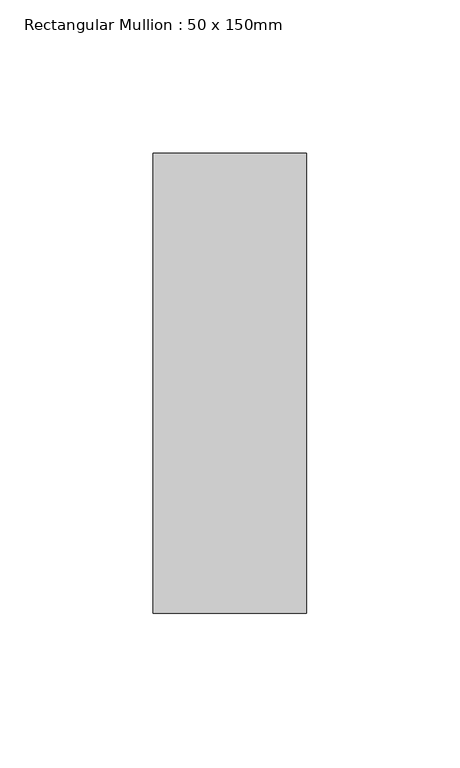
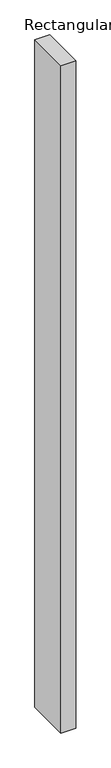
"""IFC4 building model written with IfcOpenShell, lengths in millimetres: member geometry, Rectangular Mullion : 50 x 150mm."""

from ifc_helpers import new_model, si_unit, frame, origin, place, context, project, spatial, polyline, outline, extrude, source, transform, mapped, element, save


def rectangular_mullion_50_x_150mm_518b68e2(model_context):
    return source(origin(), model_context, "Body", "SweptSolid", [
        extrude(outline(polyline([(25.0, 75.0), (25.0, -75.0), (-25.0, -75.0), (-25.0, 75.0), (25.0, 75.0)])), frame((0.0, 0.0, -2350.0), z_axis=(0.0, 0.0, 1.0), x_axis=(1.0, 0.0, 0.0)), (0.0, 0.0, 1.0), 2350.0),
    ])


if __name__ == "__main__":
    model = new_model("IFC4")
    model_context = context("Model", 3, world=origin())
    ifc_project = project(units=[si_unit("LENGTHUNIT", "METRE", prefix="MILLI")], contexts=[model_context])
    site = spatial("IfcSite", under=ifc_project)
    building = spatial("IfcBuilding", under=site)
    placement = place(None, origin())
    rectangular_mullion_50_x_150mm_shape = rectangular_mullion_50_x_150mm_518b68e2(model_context)
    element("IfcMember", 1, ObjectType="Rectangular Mullion : 50 x 150mm", at=placement, inside=building, context=model_context, shape_type="MappedRepresentation", body=[
        mapped(rectangular_mullion_50_x_150mm_shape, transform((0.0, 0.0, 0.0), x_axis=(1.0, 0.0, 0.0), y_axis=(0.0, 1.0, 0.0), z_axis=(0.0, 0.0, 1.0))),
    ])
    save(model, "model.ifc")
